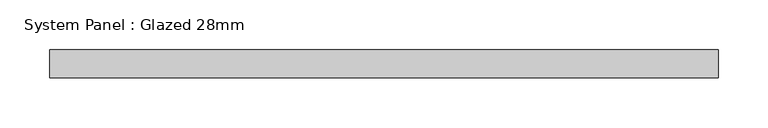
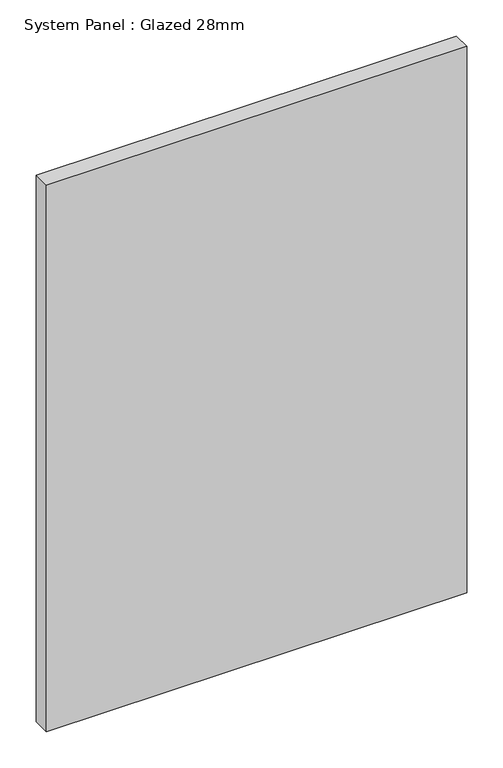
"""IFC4 building model written with IfcOpenShell, lengths in millimetres: plate geometry, System Panel : Glazed 28mm."""

from ifc_helpers import new_model, si_unit, origin, origin_with_axes, place, context, project, spatial, polyline, outline, extrude, source, transform, mapped, element, save


def system_panel_glazed_28mm_bf8e7da2(model_context):
    return source(origin(), model_context, "Body", "SweptSolid", [
        extrude(outline(polyline([(334.8301869, -14.0), (-334.8301869, -14.0), (-334.8301869, 14.0), (334.8301869, 14.0), (334.8301869, -14.0)])), origin_with_axes(), (0.0, 0.0, 1.0), 920.6595328),
    ])


if __name__ == "__main__":
    model = new_model("IFC4")
    model_context = context("Model", 3, world=origin())
    ifc_project = project(units=[si_unit("LENGTHUNIT", "METRE", prefix="MILLI")], contexts=[model_context])
    site = spatial("IfcSite", under=ifc_project)
    building = spatial("IfcBuilding", under=site)
    placement = place(None, origin())
    system_panel_glazed_28mm_shape = system_panel_glazed_28mm_bf8e7da2(model_context)
    element("IfcPlate", 1, ObjectType="System Panel : Glazed 28mm", at=placement, inside=building, context=model_context, shape_type="MappedRepresentation", body=[
        mapped(system_panel_glazed_28mm_shape, transform((0.0, 0.0, 0.0), x_axis=(1.0, 0.0, 0.0), y_axis=(0.0, 1.0, 0.0), z_axis=(0.0, 0.0, 1.0))),
    ])
    save(model, "model.ifc")
